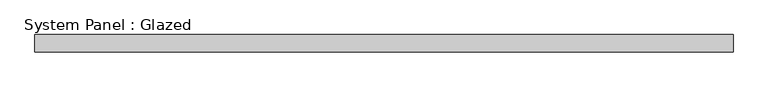
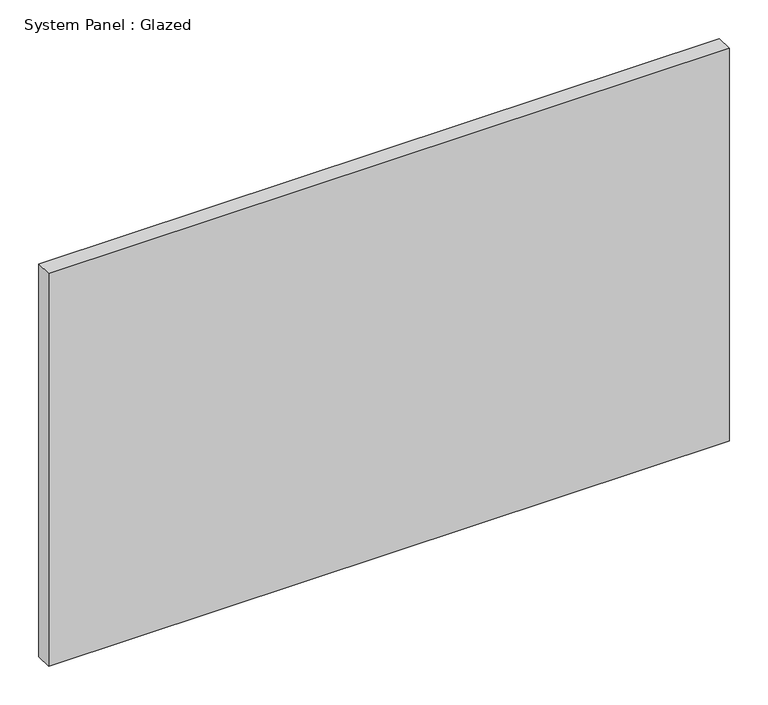
"""IFC4 building model written with IfcOpenShell, lengths in millimetres: plate geometry, System Panel : Glazed."""

from ifc_helpers import new_model, si_unit, origin, origin_with_axes, place, context, project, spatial, polyline, outline, extrude, source, transform, mapped, element, save


def system_panel_glazed_66add4c3(model_context):
    return source(origin(), model_context, "Body", "SweptSolid", [
        extrude(outline(polyline([(508.0, -44.45), (-508.0, -44.45), (-508.0, -19.05), (508.0, -19.05), (508.0, -44.45)])), origin_with_axes(), (0.0, 0.0, 1.0), 619.8809524),
    ])


if __name__ == "__main__":
    model = new_model("IFC4")
    model_context = context("Model", 3, world=origin())
    ifc_project = project(units=[si_unit("LENGTHUNIT", "METRE", prefix="MILLI")], contexts=[model_context])
    site = spatial("IfcSite", under=ifc_project)
    building = spatial("IfcBuilding", under=site)
    placement = place(None, origin())
    system_panel_glazed_shape = system_panel_glazed_66add4c3(model_context)
    element("IfcPlate", 1, ObjectType="System Panel : Glazed", at=placement, inside=building, context=model_context, shape_type="MappedRepresentation", body=[
        mapped(system_panel_glazed_shape, transform((0.0, 0.0, 0.0), x_axis=(1.0, 0.0, 0.0), y_axis=(0.0, 1.0, 0.0), z_axis=(0.0, 0.0, 1.0))),
    ])
    save(model, "model.ifc")
